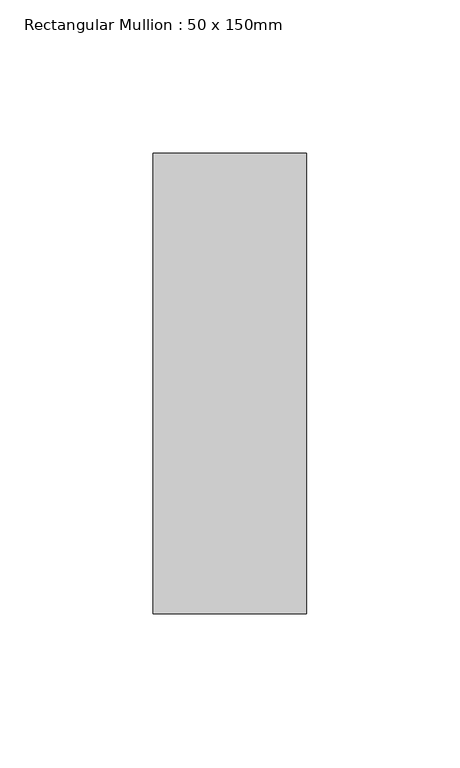
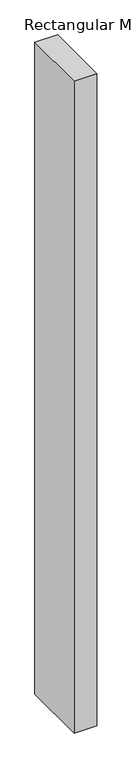
"""IFC4 building model written with IfcOpenShell, lengths in millimetres: member geometry, Rectangular Mullion : 50 x 150mm."""

from ifc_helpers import new_model, si_unit, frame, origin, place, context, project, spatial, polyline, outline, extrude, source, transform, mapped, element, save


def rectangular_mullion_50_x_150mm_bd701358(model_context):
    return source(origin(), model_context, "Body", "SweptSolid", [
        extrude(outline(polyline([(0.0, 75.0), (0.0, -75.0), (-50.0, -75.0), (-50.0, 75.0), (0.0, 75.0)])), frame((0.0, 0.0, -1519.9999998), z_axis=(0.0, 0.0, 1.0), x_axis=(1.0, 0.0, 0.0)), (0.0, 0.0, 1.0), 1519.9999998),
    ])


if __name__ == "__main__":
    model = new_model("IFC4")
    model_context = context("Model", 3, world=origin())
    ifc_project = project(units=[si_unit("LENGTHUNIT", "METRE", prefix="MILLI")], contexts=[model_context])
    site = spatial("IfcSite", under=ifc_project)
    building = spatial("IfcBuilding", under=site)
    placement = place(None, origin())
    rectangular_mullion_50_x_150mm_shape = rectangular_mullion_50_x_150mm_bd701358(model_context)
    element("IfcMember", 1, ObjectType="Rectangular Mullion : 50 x 150mm", at=placement, inside=building, context=model_context, shape_type="MappedRepresentation", body=[
        mapped(rectangular_mullion_50_x_150mm_shape, transform((0.0, 0.0, 0.0), x_axis=(1.0, 0.0, 0.0), y_axis=(0.0, 1.0, 0.0), z_axis=(0.0, 0.0, 1.0))),
    ])
    save(model, "model.ifc")
